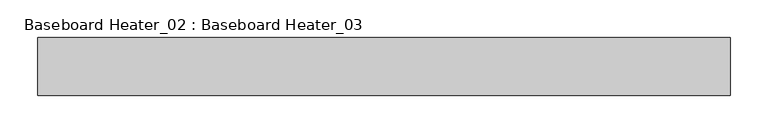
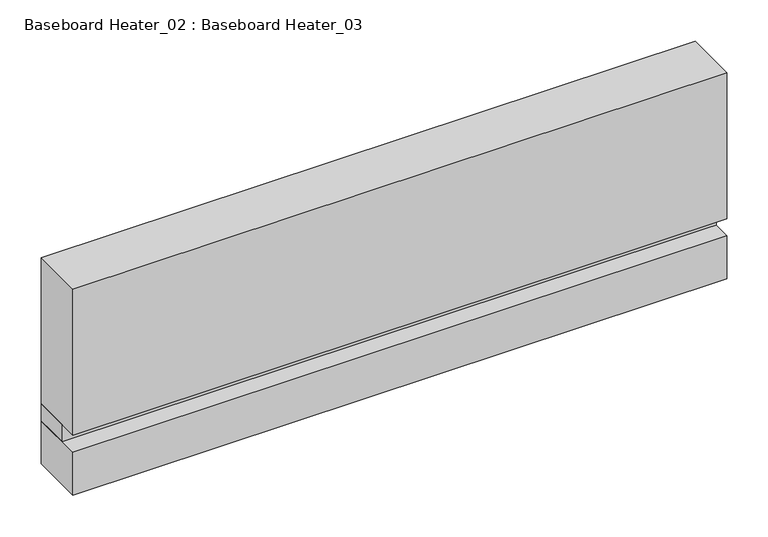
"""IFC4 building model written with IfcOpenShell, lengths in millimetres: proxy geometry, Baseboard Heater_02 : Baseboard Heater_03."""

import ifcopenshell
import ifcopenshell.guid

model = None  # the IFC model being written
_history = None  # IfcOwnerHistory: only IFC2X3 demands one
_inside = {}  # id of a spatial element -> (the spatial element, [elements in it])
_under = {}  # id of a project, library or spatial element -> (it, [spatial elements below it])
_declared = {}  # id of a project -> (the project, [libraries it declares])
_typed = {}  # id of a type object -> (the type object, [elements of that type])
_made_of = {}  # id of a material, layer set ... -> (it, [elements and type objects made of it])


def new_model(schema):
    """Start an empty IFC model of exactly this schema.

    Asked for "IFC4X3", IfcOpenShell would pick the latest addendum, in which some entities
    have other attributes; the version numbers below select the first issue.
    IFC2X3 requires an IfcOwnerHistory on every rooted entity: one is made here for all.
    """
    global model, _history
    if schema == "IFC4X3":
        model = ifcopenshell.file(schema_version=(4, 3, 0, 0))
    else:
        model = ifcopenshell.file(schema=schema)
    _inside.clear()
    _under.clear()
    _declared.clear()
    _typed.clear()
    _made_of.clear()
    _history = None
    if model.schema == "IFC2X3":
        org = make("IfcOrganization", Name="unknown")
        user = make(
            "IfcPersonAndOrganization",
            ThePerson=make("IfcPerson", FamilyName="unknown"),
            TheOrganization=org,
        )
        app = make(
            "IfcApplication",
            ApplicationDeveloper=org,
            Version="unknown",
            ApplicationFullName="unknown",
            ApplicationIdentifier="unknown",
        )
        _history = make(
            "IfcOwnerHistory",
            OwningUser=user,
            OwningApplication=app,
            ChangeAction="ADDED",
            CreationDate=0,
        )
    return model


def make(cls, **values):
    """One entity of the class cls with the attributes given. An attribute that is None is left unset."""
    return model.create_entity(
        cls, **{name: value for name, value in values.items() if value is not None}
    )


def rooted(cls, **values):
    """An entity with a GlobalId (a new one), such as an element, a storey or a relation."""
    return make(cls, GlobalId=ifcopenshell.guid.new(), OwnerHistory=_history, **values)


def si_unit(unit_type, name, prefix=None):
    """IfcSIUnit, for example si_unit("LENGTHUNIT", "METRE", prefix="MILLI")."""
    return make("IfcSIUnit", UnitType=unit_type, Prefix=prefix, Name=name)


def assignment(units):
    """IfcUnitAssignment: the units of a project."""
    return None if units is None else make("IfcUnitAssignment", Units=units)


def point(xyz):
    """IfcCartesianPoint."""
    return None if xyz is None else make("IfcCartesianPoint", Coordinates=xyz)


def direction(xyz):
    """IfcDirection."""
    return None if xyz is None else make("IfcDirection", DirectionRatios=xyz)


def frame(location, z_axis=None, x_axis=None):
    """IfcAxis2Placement3D, a coordinate frame: its origin and axes. An axis left out is left unset."""
    return make(
        "IfcAxis2Placement3D",
        Location=point(location),
        Axis=direction(z_axis),
        RefDirection=direction(x_axis),
    )


def origin():
    """The frame at (0, 0, 0) with its axes left unset."""
    return frame((0.0, 0.0, 0.0))


def origin_with_axes():
    """The frame at (0, 0, 0) with the z axis (0, 0, 1) and the x axis (1, 0, 0) written out."""
    return frame((0.0, 0.0, 0.0), z_axis=(0.0, 0.0, 1.0), x_axis=(1.0, 0.0, 0.0))


def place(relative_to, where):
    """IfcLocalPlacement: puts the frame where relative to a parent placement (None: the world)."""
    return make(
        "IfcLocalPlacement", PlacementRelTo=relative_to, RelativePlacement=where
    )


def context(
    kind, dimensions, precision=None, world=None, true_north=None, identifier=None
):
    """IfcGeometricRepresentationContext, for example the 3D "Model" context."""
    return make(
        "IfcGeometricRepresentationContext",
        ContextIdentifier=identifier,
        ContextType=kind,
        CoordinateSpaceDimension=dimensions,
        Precision=precision,
        WorldCoordinateSystem=world,
        TrueNorth=true_north,
    )


def project(units=None, contexts=None):
    """IfcProject with its units and contexts."""
    return rooted(
        "IfcProject",
        Name="project",
        RepresentationContexts=contexts,
        UnitsInContext=assignment(units),
    )


def spatial(cls, under=None, at=None, **own):
    """A site, building, storey or space (cls), placed at a placement, below another one or the project."""
    s = rooted(cls, ObjectPlacement=at, **own)
    if under is not None:
        _under.setdefault(under.id(), (under, []))[1].append(s)
    return s


def polyline(points):
    """IfcPolyline through the points."""
    return make("IfcPolyline", Points=[point(p) for p in points])


def outline(outer, holes=None, kind="AREA"):
    """IfcArbitraryClosedProfileDef: a profile drawn as a closed curve; with holes, ...WithVoids."""
    if holes is None:
        return make("IfcArbitraryClosedProfileDef", ProfileType=kind, OuterCurve=outer)
    return make(
        "IfcArbitraryProfileDefWithVoids",
        ProfileType=kind,
        OuterCurve=outer,
        InnerCurves=holes,
    )


def extrude(swept, where, along, depth):
    """IfcExtrudedAreaSolid: the profile swept, set in the frame where, extruded along a direction by depth."""
    return make(
        "IfcExtrudedAreaSolid",
        SweptArea=swept,
        Position=where,
        ExtrudedDirection=direction(along),
        Depth=depth,
    )


def shape(context_of_items, identifier, shape_type, items):
    """IfcShapeRepresentation: the items that make up one representation, for example the "Body"."""
    return make(
        "IfcShapeRepresentation",
        ContextOfItems=context_of_items,
        RepresentationIdentifier=identifier,
        RepresentationType=shape_type,
        Items=items,
    )


def source(mapping_origin, context_of_items, identifier, shape_type, items):
    """IfcRepresentationMap: a shape defined once, which mapped items show again and again."""
    return make(
        "IfcRepresentationMap",
        MappingOrigin=mapping_origin,
        MappedRepresentation=shape(context_of_items, identifier, shape_type, items),
    )


def transform(
    local_origin,
    x_axis=None,
    y_axis=None,
    z_axis=None,
    scale=None,
    scale2=None,
    scale3=None,
    uniform=True,
):
    """IfcCartesianTransformationOperator3D, or its non-uniform kind. x_axis, y_axis, z_axis: its Axis1, 2, 3."""
    if uniform:
        return make(
            "IfcCartesianTransformationOperator3D",
            Axis1=direction(x_axis),
            Axis2=direction(y_axis),
            LocalOrigin=point(local_origin),
            Scale=scale,
            Axis3=direction(z_axis),
        )
    return make(
        "IfcCartesianTransformationOperator3DnonUniform",
        Axis1=direction(x_axis),
        Axis2=direction(y_axis),
        LocalOrigin=point(local_origin),
        Scale=scale,
        Axis3=direction(z_axis),
        Scale2=scale2,
        Scale3=scale3,
    )


def mapped(mapping_source, mapping_target):
    """IfcMappedItem: shows the shape of a source again, moved by a transform."""
    return make(
        "IfcMappedItem", MappingSource=mapping_source, MappingTarget=mapping_target
    )


def made_of(thing, what):
    """Note that an element or type object is made of a material, layer set ...; save() writes the relation."""
    if what is not None:
        _made_of.setdefault(what.id(), (what, []))[1].append(thing)
    return thing


def element(
    cls,
    number,
    at=None,
    inside=None,
    cuts=None,
    type_object=None,
    material=None,
    context=None,
    identifier="Body",
    shape_type=None,
    held_by="IfcProductDefinitionShape",
    body=None,
    shapes=None,
    **own,
):
    """One element of the class cls, such as IfcWall. Its Tag is "e" and its number.

    at: its placement. inside: the storey or other place that contains it. cuts: it is an
    opening in that element (IfcRelVoidsElement). A single representation is given by context,
    identifier, shape_type and body (its items); several are given by shapes. held_by: the class
    of the entity that holds the representations. save() writes the other relations.
    """
    e = rooted(cls, Tag="e%d" % number, ObjectPlacement=at, **own)
    if body is not None:
        shapes = [shape(context, identifier, shape_type, body)]
    if shapes is not None:
        e.Representation = make(held_by, Representations=shapes)
    if inside is not None:
        _inside.setdefault(inside.id(), (inside, []))[1].append(e)
    if cuts is not None:
        rooted(
            "IfcRelVoidsElement", RelatingBuildingElement=cuts, RelatedOpeningElement=e
        )
    if type_object is not None:
        _typed.setdefault(type_object.id(), (type_object, []))[1].append(e)
    return made_of(e, material)


def aggregate(whole, parts):
    """IfcRelAggregates: a whole, such as a stair, and the parts it consists of."""
    return rooted("IfcRelAggregates", RelatingObject=whole, RelatedObjects=parts)


def save(model, path):
    """Write the relations noted so far, then the file.

    IfcRelAggregates (storeys below a building ...), IfcRelContainedInSpatialStructure (elements
    in a storey), IfcRelDefinesByType, IfcRelAssociatesMaterial and IfcRelDeclares: one each for
    every whole, place, type object, material and project.
    """
    for whole, parts in _under.values():
        aggregate(whole, parts)
    for where, things in _inside.values():
        rooted(
            "IfcRelContainedInSpatialStructure",
            RelatedElements=things,
            RelatingStructure=where,
        )
    for kind, things in _typed.values():
        rooted("IfcRelDefinesByType", RelatedObjects=things, RelatingType=kind)
    for what, things in _made_of.values():
        rooted("IfcRelAssociatesMaterial", RelatedObjects=things, RelatingMaterial=what)
    for by, libraries in _declared.values():
        rooted("IfcRelDeclares", RelatingContext=by, RelatedDefinitions=libraries)
    model.write(path)


def baseboard_heater_02_baseboard_heater_03_ea07f9ee(model_context):
    return source(origin(), model_context, "Body", "SweptSolid", [
        extrude(outline(polyline([(457.2, 0.0), (-457.2, 0.0), (-457.2, 76.2), (457.2, 76.2), (457.2, 0.0)])), origin_with_axes(), (0.0, 0.0, 1.0), 63.5),
        extrude(outline(polyline([(457.2, 25.4), (-457.2, 25.4), (-457.2, 76.2), (457.2, 76.2), (457.2, 25.4)])), frame((0.0, 0.0, 63.5), z_axis=(0.0, 0.0, 1.0), x_axis=(1.0, 0.0, 0.0)), (0.0, 0.0, 1.0), 25.4),
        extrude(outline(polyline([(457.2, 0.0), (-457.2, 0.0), (-457.2, 76.2), (457.2, 76.2), (457.2, 0.0)])), frame((0.0, 0.0, 88.9), z_axis=(0.0, 0.0, 1.0), x_axis=(1.0, 0.0, 0.0)), (0.0, 0.0, 1.0), 215.8067597),
    ])


if __name__ == "__main__":
    model = new_model("IFC4")
    model_context = context("Model", 3, world=origin())
    ifc_project = project(units=[si_unit("LENGTHUNIT", "METRE", prefix="MILLI")], contexts=[model_context])
    site = spatial("IfcSite", under=ifc_project)
    building = spatial("IfcBuilding", under=site)
    placement = place(None, origin())
    baseboard_heater_02_baseboard_heater_03_shape = baseboard_heater_02_baseboard_heater_03_ea07f9ee(model_context)
    element("IfcBuildingElementProxy", 1, Name="Baseboard Heater_02 : Baseboard Heater_03", ObjectType="Baseboard Heater_02 : Baseboard Heater_03", at=placement, inside=building, context=model_context, shape_type="MappedRepresentation", body=[
        mapped(baseboard_heater_02_baseboard_heater_03_shape, transform((0.0, 0.0, 0.0), x_axis=(1.0, 0.0, 0.0), y_axis=(0.0, 1.0, 0.0), z_axis=(0.0, 0.0, 1.0))),
    ])
    save(model, "model.ifc")
